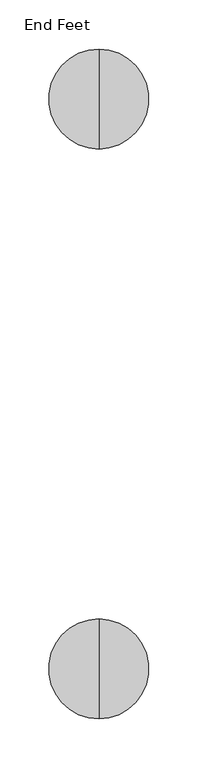
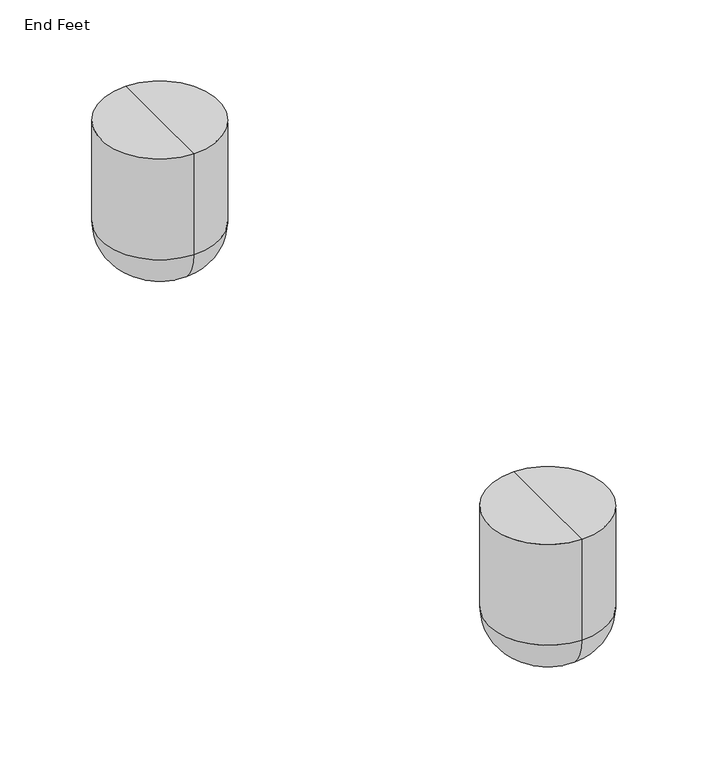
"""IFC4 building model written with IfcOpenShell, lengths in millimetres: furniture geometry, End Feet."""

from ifc_helpers import new_model, si_unit, point, frame, origin, place, context, project, spatial, circle_curve, ellipse_curve, trimmed, source, transform, mapped, element, save
from ifc_brep_helpers import plane_surface, cylinder_surface, revolved_surface, advanced_brep


def end_feet_ee971b91(model_context):
    return source(origin(), model_context, "Body", "AdvancedBrep", [
        advanced_brep(
        [(57.502012, 747.4877706, 130.0907271), (57.502012, 645.5490367, 130.0907271), (57.502012, 696.5184037, 130.0907271), (57.502012, 747.4877706, 38.1), (57.502012, 645.5490367, 38.1), (57.502012, 709.3877706, 0.0), (57.502012, 683.6490367, 0.0), (57.502012, 696.5184037, 0.0)],
        [
            (0, 1, circle_curve(frame((57.502012, 696.5184037, 130.0907271), z_axis=(0.0, 0.0, 1.0), x_axis=(0.0, -1.0, 0.0)), 50.969367)),
            (1, 2),
            (2, 0),
            (1, 0, circle_curve(frame((57.502012, 696.5184037, 130.0907271), z_axis=(0.0, 0.0, 1.0), x_axis=(0.0, -1.0, 0.0)), 50.969367)),
            (3, 4, circle_curve(frame((57.502012, 696.5184037, 38.1), z_axis=(0.0, 0.0, 1.0), x_axis=(0.0, -1.0, 0.0)), 50.969367)),
            (4, 1),
            (0, 3),
            (4, 3, circle_curve(frame((57.502012, 696.5184037, 38.1), z_axis=(0.0, 0.0, 1.0), x_axis=(0.0, -1.0, 0.0)), 50.969367)),
            (5, 6, circle_curve(frame((57.502012, 696.5184037, 0.0), z_axis=(0.0, 0.0, 1.0), x_axis=(0.0, -1.0, 0.0)), 12.869367)),
            (6, 4, circle_curve(frame((57.502012, 683.6490367, 38.1), z_axis=(-1.0, 0.0, 0.0), x_axis=(0.0, -1.0, 0.0)), 38.1)),
            (3, 5, circle_curve(frame((57.502012, 709.3877706, 38.1), z_axis=(-1.0, 0.0, 0.0), x_axis=(0.0, 1.0, 0.0)), 38.1)),
            (6, 5, circle_curve(frame((57.502012, 696.5184037, 0.0), z_axis=(0.0, 0.0, 1.0), x_axis=(0.0, -1.0, 0.0)), 12.869367)),
            (7, 6),
            (5, 7),
        ],
        [
            plane_surface(frame((57.502012, 696.5184037, 130.0907271), z_axis=(0.0, 0.0, 1.0), x_axis=(0.0, -1.0, 0.0))),
            cylinder_surface(frame((57.502012, 696.5184037, 130.0907271), z_axis=(0.0, 0.0, -1.0), x_axis=(0.0, -1.0, 0.0)), 50.969367),
            revolved_surface(trimmed(ellipse_curve(frame((57.502012, 683.6490367, 38.1), z_axis=(1.0, 0.0, 0.0), x_axis=(0.0, -1.0, 0.0)), 38.1, 38.1), [point((57.502012, 645.5490367, 38.1))], [point((57.502012, 683.6490367, 0.0))], True, "CARTESIAN"), (57.502012, 696.5184037, 130.0907271), (0.0, 0.0, -1.0)),
            plane_surface(frame((57.502012, 696.5184037, 0.0), z_axis=(0.0, 0.0, -1.0), x_axis=(0.0, -1.0, 0.0))),
        ],
        [
            (0, [[1, 2, 3]]),
            (0, [[4, -3, -2]]),
            (1, [[5, 6, -1, 7]]),
            (1, [[8, -7, -4, -6]]),
            (2, [[9, 10, -5, 11]]),
            (2, [[12, -11, -8, -10]]),
            (3, [[13, -9, 14]]),
            (3, [[-14, -12, -13]]),
        ],
    ),
        advanced_brep(
        [(57.502012, 166.4627706, 130.0907271), (57.502012, 64.5240367, 130.0907271), (57.502012, 115.4934037, 130.0907271), (57.502012, 166.4627706, 38.1), (57.502012, 64.5240367, 38.1), (57.502012, 128.3627706, 0.0), (57.502012, 102.6240367, 0.0), (57.502012, 115.4934037, 0.0)],
        [
            (0, 1, circle_curve(frame((57.502012, 115.4934037, 130.0907271), z_axis=(0.0, 0.0, 1.0), x_axis=(0.0, -1.0, 0.0)), 50.969367)),
            (1, 2),
            (2, 0),
            (1, 0, circle_curve(frame((57.502012, 115.4934037, 130.0907271), z_axis=(0.0, 0.0, 1.0), x_axis=(0.0, -1.0, 0.0)), 50.969367)),
            (3, 4, circle_curve(frame((57.502012, 115.4934037, 38.1), z_axis=(0.0, 0.0, 1.0), x_axis=(0.0, -1.0, 0.0)), 50.969367)),
            (4, 1),
            (0, 3),
            (4, 3, circle_curve(frame((57.502012, 115.4934037, 38.1), z_axis=(0.0, 0.0, 1.0), x_axis=(0.0, -1.0, 0.0)), 50.969367)),
            (5, 6, circle_curve(frame((57.502012, 115.4934037, 0.0), z_axis=(0.0, 0.0, 1.0), x_axis=(0.0, -1.0, 0.0)), 12.869367)),
            (6, 4, circle_curve(frame((57.502012, 102.6240367, 38.1), z_axis=(-1.0, 0.0, 0.0), x_axis=(0.0, -1.0, 0.0)), 38.1)),
            (3, 5, circle_curve(frame((57.502012, 128.3627706, 38.1), z_axis=(-1.0, 0.0, 0.0), x_axis=(0.0, 1.0, 0.0)), 38.1)),
            (6, 5, circle_curve(frame((57.502012, 115.4934037, 0.0), z_axis=(0.0, 0.0, 1.0), x_axis=(0.0, -1.0, 0.0)), 12.869367)),
            (7, 6),
            (5, 7),
        ],
        [
            plane_surface(frame((57.502012, 115.4934037, 130.0907271), z_axis=(0.0, 0.0, 1.0), x_axis=(0.0, -1.0, 0.0))),
            cylinder_surface(frame((57.502012, 115.4934037, 130.0907271), z_axis=(0.0, 0.0, -1.0), x_axis=(0.0, -1.0, 0.0)), 50.969367),
            revolved_surface(trimmed(ellipse_curve(frame((57.502012, 102.6240367, 38.1), z_axis=(1.0, 0.0, 0.0), x_axis=(0.0, -1.0, 0.0)), 38.1, 38.1), [point((57.502012, 64.5240367, 38.1))], [point((57.502012, 102.6240367, 0.0))], True, "CARTESIAN"), (57.502012, 115.4934037, 130.0907271), (0.0, 0.0, -1.0)),
            plane_surface(frame((57.502012, 115.4934037, 0.0), z_axis=(0.0, 0.0, -1.0), x_axis=(0.0, -1.0, 0.0))),
        ],
        [
            (0, [[1, 2, 3]]),
            (0, [[4, -3, -2]]),
            (1, [[5, 6, -1, 7]]),
            (1, [[8, -7, -4, -6]]),
            (2, [[9, 10, -5, 11]]),
            (2, [[12, -11, -8, -10]]),
            (3, [[13, -9, 14]]),
            (3, [[-14, -12, -13]]),
        ],
    ),
    ])


if __name__ == "__main__":
    model = new_model("IFC4")
    model_context = context("Model", 3, world=origin())
    ifc_project = project(units=[si_unit("LENGTHUNIT", "METRE", prefix="MILLI")], contexts=[model_context])
    site = spatial("IfcSite", under=ifc_project)
    building = spatial("IfcBuilding", under=site)
    placement = place(None, origin())
    end_feet_shape = end_feet_ee971b91(model_context)
    element("IfcFurniture", 1, ObjectType="End Feet", at=placement, inside=building, context=model_context, shape_type="MappedRepresentation", body=[
        mapped(end_feet_shape, transform((0.0, 0.0, 0.0), x_axis=(1.0, 0.0, 0.0), y_axis=(0.0, 1.0, 0.0), z_axis=(0.0, 0.0, 1.0))),
    ])
    save(model, "model.ifc")
